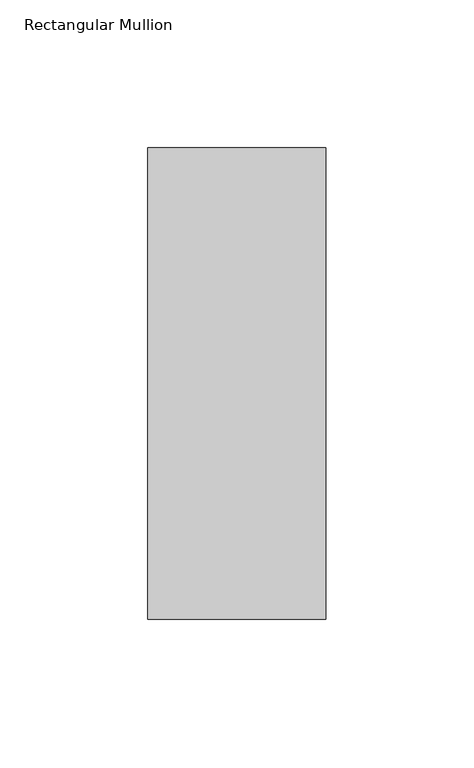
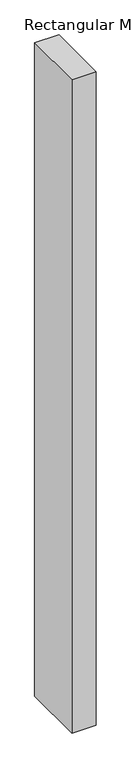
"""IFC4 building model written with IfcOpenShell, lengths in millimetres: member geometry, Rectangular Mullion."""

import ifcopenshell
import ifcopenshell.guid

model = None  # the IFC model being written
_history = None  # IfcOwnerHistory: only IFC2X3 demands one
_inside = {}  # id of a spatial element -> (the spatial element, [elements in it])
_under = {}  # id of a project, library or spatial element -> (it, [spatial elements below it])
_declared = {}  # id of a project -> (the project, [libraries it declares])
_typed = {}  # id of a type object -> (the type object, [elements of that type])
_made_of = {}  # id of a material, layer set ... -> (it, [elements and type objects made of it])


def new_model(schema):
    """Start an empty IFC model of exactly this schema.

    Asked for "IFC4X3", IfcOpenShell would pick the latest addendum, in which some entities
    have other attributes; the version numbers below select the first issue.
    IFC2X3 requires an IfcOwnerHistory on every rooted entity: one is made here for all.
    """
    global model, _history
    if schema == "IFC4X3":
        model = ifcopenshell.file(schema_version=(4, 3, 0, 0))
    else:
        model = ifcopenshell.file(schema=schema)
    _inside.clear()
    _under.clear()
    _declared.clear()
    _typed.clear()
    _made_of.clear()
    _history = None
    if model.schema == "IFC2X3":
        org = make("IfcOrganization", Name="unknown")
        user = make(
            "IfcPersonAndOrganization",
            ThePerson=make("IfcPerson", FamilyName="unknown"),
            TheOrganization=org,
        )
        app = make(
            "IfcApplication",
            ApplicationDeveloper=org,
            Version="unknown",
            ApplicationFullName="unknown",
            ApplicationIdentifier="unknown",
        )
        _history = make(
            "IfcOwnerHistory",
            OwningUser=user,
            OwningApplication=app,
            ChangeAction="ADDED",
            CreationDate=0,
        )
    return model


def make(cls, **values):
    """One entity of the class cls with the attributes given. An attribute that is None is left unset."""
    return model.create_entity(
        cls, **{name: value for name, value in values.items() if value is not None}
    )


def rooted(cls, **values):
    """An entity with a GlobalId (a new one), such as an element, a storey or a relation."""
    return make(cls, GlobalId=ifcopenshell.guid.new(), OwnerHistory=_history, **values)


def si_unit(unit_type, name, prefix=None):
    """IfcSIUnit, for example si_unit("LENGTHUNIT", "METRE", prefix="MILLI")."""
    return make("IfcSIUnit", UnitType=unit_type, Prefix=prefix, Name=name)


def assignment(units):
    """IfcUnitAssignment: the units of a project."""
    return None if units is None else make("IfcUnitAssignment", Units=units)


def point(xyz):
    """IfcCartesianPoint."""
    return None if xyz is None else make("IfcCartesianPoint", Coordinates=xyz)


def direction(xyz):
    """IfcDirection."""
    return None if xyz is None else make("IfcDirection", DirectionRatios=xyz)


def frame(location, z_axis=None, x_axis=None):
    """IfcAxis2Placement3D, a coordinate frame: its origin and axes. An axis left out is left unset."""
    return make(
        "IfcAxis2Placement3D",
        Location=point(location),
        Axis=direction(z_axis),
        RefDirection=direction(x_axis),
    )


def origin():
    """The frame at (0, 0, 0) with its axes left unset."""
    return frame((0.0, 0.0, 0.0))


def place(relative_to, where):
    """IfcLocalPlacement: puts the frame where relative to a parent placement (None: the world)."""
    return make(
        "IfcLocalPlacement", PlacementRelTo=relative_to, RelativePlacement=where
    )


def context(
    kind, dimensions, precision=None, world=None, true_north=None, identifier=None
):
    """IfcGeometricRepresentationContext, for example the 3D "Model" context."""
    return make(
        "IfcGeometricRepresentationContext",
        ContextIdentifier=identifier,
        ContextType=kind,
        CoordinateSpaceDimension=dimensions,
        Precision=precision,
        WorldCoordinateSystem=world,
        TrueNorth=true_north,
    )


def project(units=None, contexts=None):
    """IfcProject with its units and contexts."""
    return rooted(
        "IfcProject",
        Name="project",
        RepresentationContexts=contexts,
        UnitsInContext=assignment(units),
    )


def spatial(cls, under=None, at=None, **own):
    """A site, building, storey or space (cls), placed at a placement, below another one or the project."""
    s = rooted(cls, ObjectPlacement=at, **own)
    if under is not None:
        _under.setdefault(under.id(), (under, []))[1].append(s)
    return s


def polyline(points):
    """IfcPolyline through the points."""
    return make("IfcPolyline", Points=[point(p) for p in points])


def outline(outer, holes=None, kind="AREA"):
    """IfcArbitraryClosedProfileDef: a profile drawn as a closed curve; with holes, ...WithVoids."""
    if holes is None:
        return make("IfcArbitraryClosedProfileDef", ProfileType=kind, OuterCurve=outer)
    return make(
        "IfcArbitraryProfileDefWithVoids",
        ProfileType=kind,
        OuterCurve=outer,
        InnerCurves=holes,
    )


def extrude(swept, where, along, depth):
    """IfcExtrudedAreaSolid: the profile swept, set in the frame where, extruded along a direction by depth."""
    return make(
        "IfcExtrudedAreaSolid",
        SweptArea=swept,
        Position=where,
        ExtrudedDirection=direction(along),
        Depth=depth,
    )


def shape(context_of_items, identifier, shape_type, items):
    """IfcShapeRepresentation: the items that make up one representation, for example the "Body"."""
    return make(
        "IfcShapeRepresentation",
        ContextOfItems=context_of_items,
        RepresentationIdentifier=identifier,
        RepresentationType=shape_type,
        Items=items,
    )


def source(mapping_origin, context_of_items, identifier, shape_type, items):
    """IfcRepresentationMap: a shape defined once, which mapped items show again and again."""
    return make(
        "IfcRepresentationMap",
        MappingOrigin=mapping_origin,
        MappedRepresentation=shape(context_of_items, identifier, shape_type, items),
    )


def transform(
    local_origin,
    x_axis=None,
    y_axis=None,
    z_axis=None,
    scale=None,
    scale2=None,
    scale3=None,
    uniform=True,
):
    """IfcCartesianTransformationOperator3D, or its non-uniform kind. x_axis, y_axis, z_axis: its Axis1, 2, 3."""
    if uniform:
        return make(
            "IfcCartesianTransformationOperator3D",
            Axis1=direction(x_axis),
            Axis2=direction(y_axis),
            LocalOrigin=point(local_origin),
            Scale=scale,
            Axis3=direction(z_axis),
        )
    return make(
        "IfcCartesianTransformationOperator3DnonUniform",
        Axis1=direction(x_axis),
        Axis2=direction(y_axis),
        LocalOrigin=point(local_origin),
        Scale=scale,
        Axis3=direction(z_axis),
        Scale2=scale2,
        Scale3=scale3,
    )


def mapped(mapping_source, mapping_target):
    """IfcMappedItem: shows the shape of a source again, moved by a transform."""
    return make(
        "IfcMappedItem", MappingSource=mapping_source, MappingTarget=mapping_target
    )


def made_of(thing, what):
    """Note that an element or type object is made of a material, layer set ...; save() writes the relation."""
    if what is not None:
        _made_of.setdefault(what.id(), (what, []))[1].append(thing)
    return thing


def element(
    cls,
    number,
    at=None,
    inside=None,
    cuts=None,
    type_object=None,
    material=None,
    context=None,
    identifier="Body",
    shape_type=None,
    held_by="IfcProductDefinitionShape",
    body=None,
    shapes=None,
    **own,
):
    """One element of the class cls, such as IfcWall. Its Tag is "e" and its number.

    at: its placement. inside: the storey or other place that contains it. cuts: it is an
    opening in that element (IfcRelVoidsElement). A single representation is given by context,
    identifier, shape_type and body (its items); several are given by shapes. held_by: the class
    of the entity that holds the representations. save() writes the other relations.
    """
    e = rooted(cls, Tag="e%d" % number, ObjectPlacement=at, **own)
    if body is not None:
        shapes = [shape(context, identifier, shape_type, body)]
    if shapes is not None:
        e.Representation = make(held_by, Representations=shapes)
    if inside is not None:
        _inside.setdefault(inside.id(), (inside, []))[1].append(e)
    if cuts is not None:
        rooted(
            "IfcRelVoidsElement", RelatingBuildingElement=cuts, RelatedOpeningElement=e
        )
    if type_object is not None:
        _typed.setdefault(type_object.id(), (type_object, []))[1].append(e)
    return made_of(e, material)


def aggregate(whole, parts):
    """IfcRelAggregates: a whole, such as a stair, and the parts it consists of."""
    return rooted("IfcRelAggregates", RelatingObject=whole, RelatedObjects=parts)


def save(model, path):
    """Write the relations noted so far, then the file.

    IfcRelAggregates (storeys below a building ...), IfcRelContainedInSpatialStructure (elements
    in a storey), IfcRelDefinesByType, IfcRelAssociatesMaterial and IfcRelDeclares: one each for
    every whole, place, type object, material and project.
    """
    for whole, parts in _under.values():
        aggregate(whole, parts)
    for where, things in _inside.values():
        rooted(
            "IfcRelContainedInSpatialStructure",
            RelatedElements=things,
            RelatingStructure=where,
        )
    for kind, things in _typed.values():
        rooted("IfcRelDefinesByType", RelatedObjects=things, RelatingType=kind)
    for what, things in _made_of.values():
        rooted("IfcRelAssociatesMaterial", RelatedObjects=things, RelatingMaterial=what)
    for by, libraries in _declared.values():
        rooted("IfcRelDeclares", RelatingContext=by, RelatedDefinitions=libraries)
    model.write(path)


def rectangular_mullion_9c998604(model_context):
    return source(origin(), model_context, "Body", "SweptSolid", [
        extrude(outline(polyline([(30.0, 107.60625), (30.0, -51.60625), (-30.0, -51.60625), (-30.0, 107.60625), (30.0, 107.60625)])), frame((0.0, 0.0, -1708.8912252), z_axis=(0.0, 0.0, 1.0), x_axis=(1.0, 0.0, 0.0)), (0.0, 0.0, 1.0), 1708.8912252),
    ])


if __name__ == "__main__":
    model = new_model("IFC4")
    model_context = context("Model", 3, world=origin())
    ifc_project = project(units=[si_unit("LENGTHUNIT", "METRE", prefix="MILLI")], contexts=[model_context])
    site = spatial("IfcSite", under=ifc_project)
    building = spatial("IfcBuilding", under=site)
    placement = place(None, origin())
    rectangular_mullion_shape = rectangular_mullion_9c998604(model_context)
    element("IfcMember", 1, ObjectType="Rectangular Mullion", at=placement, inside=building, context=model_context, shape_type="MappedRepresentation", body=[
        mapped(rectangular_mullion_shape, transform((0.0, 0.0, 0.0), x_axis=(1.0, 0.0, 0.0), y_axis=(0.0, 1.0, 0.0), z_axis=(0.0, 0.0, 1.0))),
    ])
    save(model, "model.ifc")
